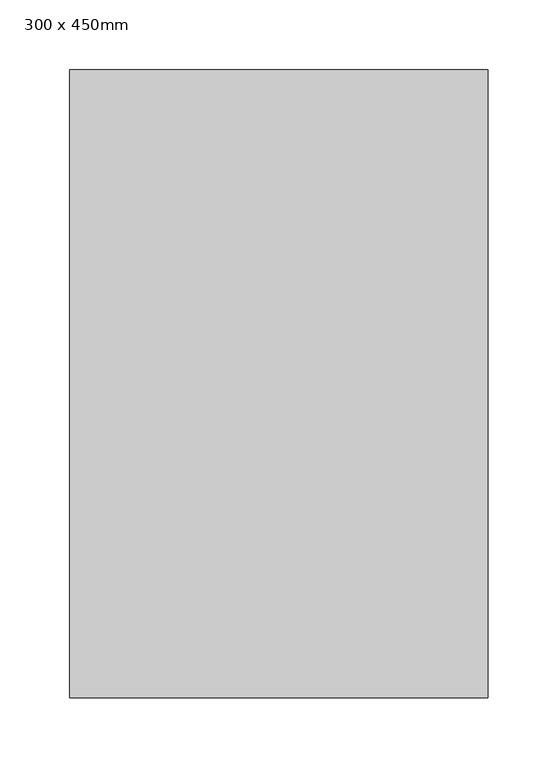
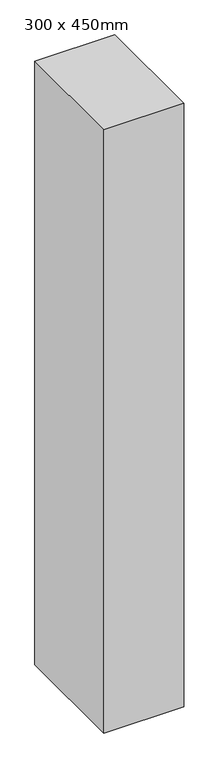
"""IFC4 building model written with IfcOpenShell, lengths in millimetres: column geometry, 300 x 450mm."""

from ifc_helpers import new_model, si_unit, origin, origin_with_axes, place, context, project, spatial, polyline, outline, extrude, source, transform, mapped, element, save


def column_300_x_450mm_75b009fe(model_context):
    return source(origin(), model_context, "Body", "SweptSolid", [
        extrude(outline(polyline([(150.0, 225.0), (150.0, -225.0), (-150.0, -225.0), (-150.0, 225.0), (150.0, 225.0)])), origin_with_axes(), (0.0, 0.0, 1.0), 2400.0),
    ])


if __name__ == "__main__":
    model = new_model("IFC4")
    model_context = context("Model", 3, world=origin())
    ifc_project = project(units=[si_unit("LENGTHUNIT", "METRE", prefix="MILLI")], contexts=[model_context])
    site = spatial("IfcSite", under=ifc_project)
    building = spatial("IfcBuilding", under=site)
    placement = place(None, origin())
    column_300_x_450mm_shape = column_300_x_450mm_75b009fe(model_context)
    element("IfcColumn", 1, ObjectType="300 x 450mm", at=placement, inside=building, context=model_context, shape_type="MappedRepresentation", body=[
        mapped(column_300_x_450mm_shape, transform((0.0, 0.0, 0.0), x_axis=(1.0, 0.0, 0.0), y_axis=(0.0, 1.0, 0.0), z_axis=(0.0, 0.0, 1.0))),
    ])
    save(model, "model.ifc")
